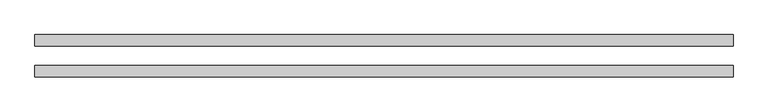
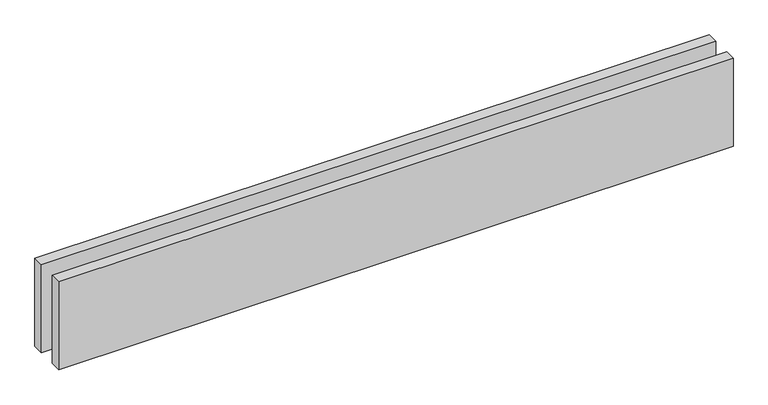
"""IFC4 building model written with IfcOpenShell, lengths in millimetres: proxy geometry."""

from ifc_helpers import new_model, si_unit, origin, origin_with_axes, place, context, project, spatial, polyline, outline, extrude, source, transform, mapped, element, save


def generic_models_42da7d2a(model_context):
    return source(origin(), model_context, "Body", "SweptSolid", [
        extrude(outline(polyline([(1813.2034356, 25.0), (0.0, 25.0), (0.0, 55.0), (1813.2034356, 55.0), (1813.2034356, 25.0)])), origin_with_axes(), (0.0, 0.0, 1.0), 250.0),
        extrude(outline(polyline([(1813.2034356, -55.0), (0.0, -55.0), (0.0, -25.0), (1813.2034356, -25.0), (1813.2034356, -55.0)])), origin_with_axes(), (0.0, 0.0, 1.0), 250.0),
    ])


if __name__ == "__main__":
    model = new_model("IFC4")
    model_context = context("Model", 3, world=origin())
    ifc_project = project(units=[si_unit("LENGTHUNIT", "METRE", prefix="MILLI")], contexts=[model_context])
    site = spatial("IfcSite", under=ifc_project)
    building = spatial("IfcBuilding", under=site)
    placement = place(None, origin())
    generic_models_shape = generic_models_42da7d2a(model_context)
    element("IfcBuildingElementProxy", 1, Name="Generic Models", at=placement, inside=building, context=model_context, shape_type="MappedRepresentation", body=[
        mapped(generic_models_shape, transform((0.0, 0.0, 0.0), x_axis=(1.0, 0.0, 0.0), y_axis=(0.0, 1.0, 0.0), z_axis=(0.0, 0.0, 1.0))),
    ])
    save(model, "model.ifc")
